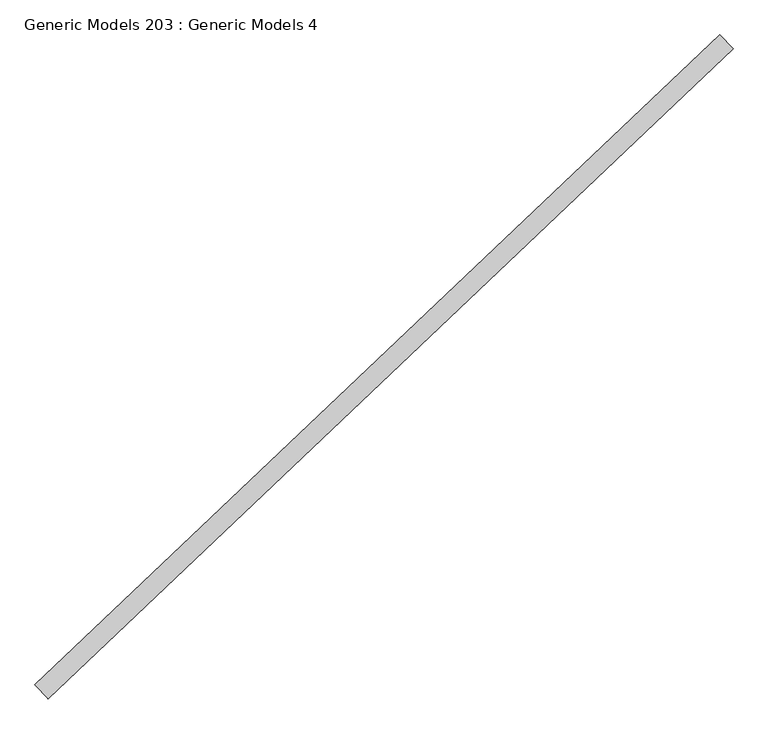
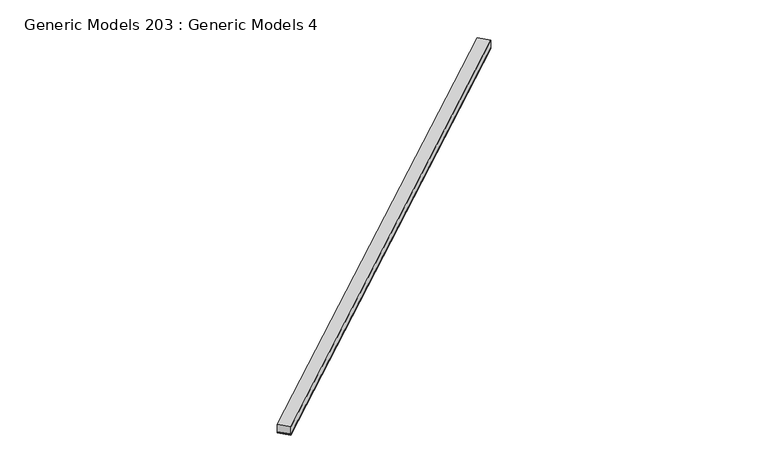
"""IFC4 building model written with IfcOpenShell, lengths in millimetres: proxy geometry, Generic Models 203 : Generic Models 4."""

from ifc_helpers import new_model, si_unit, point, frame, frame_2d, origin, place, context, project, spatial, polyline, circle_curve, trimmed, segment, composite_curve, outline, extrude, source, transform, mapped, element, save


def generic_models_203_generic_models_4_f3e3f03e(model_context):
    return source(origin(), model_context, "Body", "SweptSolid", [
        extrude(outline(composite_curve([segment(polyline([(92.075, -9.128125), (0.0, -9.128125)]), True, "CONTINUOUS"), segment(trimmed(circle_curve(frame_2d((-4.4149557, -4.5640625)), 6.35), [point((0.0, -9.128125))], [point((0.0, 0.0))], True, "CARTESIAN"), True, "CONTINUOUS"), segment(polyline([(0.0, 0.0), (92.075, 0.0)]), True, "CONTINUOUS"), segment(trimmed(circle_curve(frame_2d((96.4899556, -4.5640625)), 6.35), [point((92.075, 0.0))], [point((92.075, -9.128125))], True, "CARTESIAN"), True, "CONTINUOUS")], self_intersect=False)), frame((99763.4645275, 57298.7606646, 16634.4128084), z_axis=(0.7253743710123147, 0.6883545756937256, 0.0), x_axis=(0.6883545756937256, -0.7253743710123147, 0.0)), (0.0, 0.0, 1.0), 4530.725),
        extrude(outline(polyline([(99826.844775, 57231.9718194), (99763.4645275, 57298.7606646), (103049.9363246, 60417.5059496), (103113.3165721, 60350.7171044), (99826.844775, 57231.9718194)])), frame((0.0, 0.0, 16643.9378084), z_axis=(0.0, 0.0, 1.0), x_axis=(1.0, 0.0, 0.0)), (0.0, 0.0, 1.0), 57.15),
    ])


if __name__ == "__main__":
    model = new_model("IFC4")
    model_context = context("Model", 3, world=origin())
    ifc_project = project(units=[si_unit("LENGTHUNIT", "METRE", prefix="MILLI")], contexts=[model_context])
    site = spatial("IfcSite", under=ifc_project)
    building = spatial("IfcBuilding", under=site)
    placement = place(None, origin())
    generic_models_203_generic_models_4_shape = generic_models_203_generic_models_4_f3e3f03e(model_context)
    element("IfcBuildingElementProxy", 1, Name="Generic Models 203 : Generic Models 4", ObjectType="Generic Models 203 : Generic Models 4", at=placement, inside=building, context=model_context, shape_type="MappedRepresentation", body=[
        mapped(generic_models_203_generic_models_4_shape, transform((0.0, 0.0, 0.0), x_axis=(1.0, 0.0, 0.0), y_axis=(0.0, 1.0, 0.0), z_axis=(0.0, 0.0, 1.0))),
    ])
    save(model, "model.ifc")
